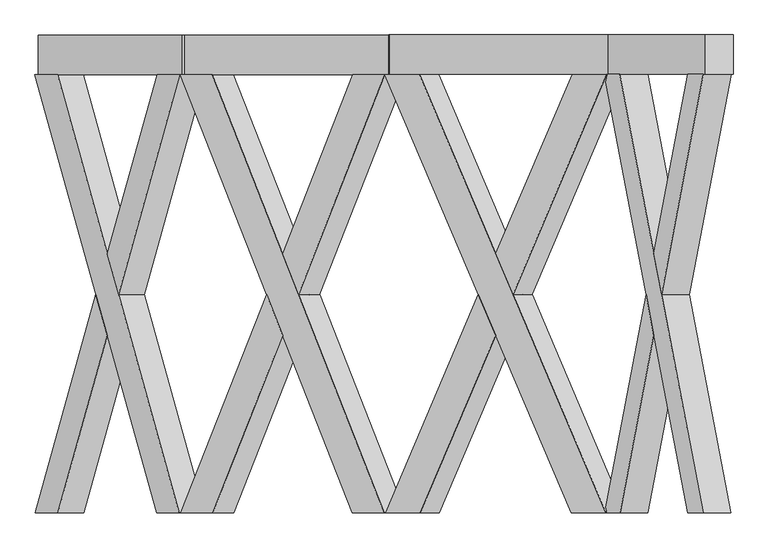
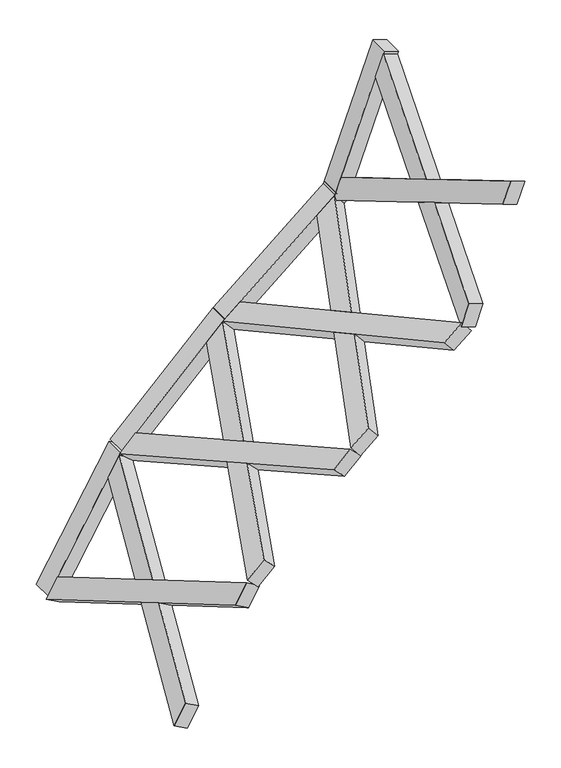
"""IFC4 building model written with IfcOpenShell, lengths in millimetres: proxy geometry."""

import ifcopenshell
import ifcopenshell.guid

model = None  # the IFC model being written
_history = None  # IfcOwnerHistory: only IFC2X3 demands one
_inside = {}  # id of a spatial element -> (the spatial element, [elements in it])
_under = {}  # id of a project, library or spatial element -> (it, [spatial elements below it])
_declared = {}  # id of a project -> (the project, [libraries it declares])
_typed = {}  # id of a type object -> (the type object, [elements of that type])
_made_of = {}  # id of a material, layer set ... -> (it, [elements and type objects made of it])


def new_model(schema):
    """Start an empty IFC model of exactly this schema.

    Asked for "IFC4X3", IfcOpenShell would pick the latest addendum, in which some entities
    have other attributes; the version numbers below select the first issue.
    IFC2X3 requires an IfcOwnerHistory on every rooted entity: one is made here for all.
    """
    global model, _history
    if schema == "IFC4X3":
        model = ifcopenshell.file(schema_version=(4, 3, 0, 0))
    else:
        model = ifcopenshell.file(schema=schema)
    _inside.clear()
    _under.clear()
    _declared.clear()
    _typed.clear()
    _made_of.clear()
    _history = None
    if model.schema == "IFC2X3":
        org = make("IfcOrganization", Name="unknown")
        user = make(
            "IfcPersonAndOrganization",
            ThePerson=make("IfcPerson", FamilyName="unknown"),
            TheOrganization=org,
        )
        app = make(
            "IfcApplication",
            ApplicationDeveloper=org,
            Version="unknown",
            ApplicationFullName="unknown",
            ApplicationIdentifier="unknown",
        )
        _history = make(
            "IfcOwnerHistory",
            OwningUser=user,
            OwningApplication=app,
            ChangeAction="ADDED",
            CreationDate=0,
        )
    return model


def make(cls, **values):
    """One entity of the class cls with the attributes given. An attribute that is None is left unset."""
    return model.create_entity(
        cls, **{name: value for name, value in values.items() if value is not None}
    )


def rooted(cls, **values):
    """An entity with a GlobalId (a new one), such as an element, a storey or a relation."""
    return make(cls, GlobalId=ifcopenshell.guid.new(), OwnerHistory=_history, **values)


def si_unit(unit_type, name, prefix=None):
    """IfcSIUnit, for example si_unit("LENGTHUNIT", "METRE", prefix="MILLI")."""
    return make("IfcSIUnit", UnitType=unit_type, Prefix=prefix, Name=name)


def assignment(units):
    """IfcUnitAssignment: the units of a project."""
    return None if units is None else make("IfcUnitAssignment", Units=units)


def point(xyz):
    """IfcCartesianPoint."""
    return None if xyz is None else make("IfcCartesianPoint", Coordinates=xyz)


def direction(xyz):
    """IfcDirection."""
    return None if xyz is None else make("IfcDirection", DirectionRatios=xyz)


def frame(location, z_axis=None, x_axis=None):
    """IfcAxis2Placement3D, a coordinate frame: its origin and axes. An axis left out is left unset."""
    return make(
        "IfcAxis2Placement3D",
        Location=point(location),
        Axis=direction(z_axis),
        RefDirection=direction(x_axis),
    )


def origin():
    """The frame at (0, 0, 0) with its axes left unset."""
    return frame((0.0, 0.0, 0.0))


def place(relative_to, where):
    """IfcLocalPlacement: puts the frame where relative to a parent placement (None: the world)."""
    return make(
        "IfcLocalPlacement", PlacementRelTo=relative_to, RelativePlacement=where
    )


def context(
    kind, dimensions, precision=None, world=None, true_north=None, identifier=None
):
    """IfcGeometricRepresentationContext, for example the 3D "Model" context."""
    return make(
        "IfcGeometricRepresentationContext",
        ContextIdentifier=identifier,
        ContextType=kind,
        CoordinateSpaceDimension=dimensions,
        Precision=precision,
        WorldCoordinateSystem=world,
        TrueNorth=true_north,
    )


def project(units=None, contexts=None):
    """IfcProject with its units and contexts."""
    return rooted(
        "IfcProject",
        Name="project",
        RepresentationContexts=contexts,
        UnitsInContext=assignment(units),
    )


def spatial(cls, under=None, at=None, **own):
    """A site, building, storey or space (cls), placed at a placement, below another one or the project."""
    s = rooted(cls, ObjectPlacement=at, **own)
    if under is not None:
        _under.setdefault(under.id(), (under, []))[1].append(s)
    return s


def polyline(points):
    """IfcPolyline through the points."""
    return make("IfcPolyline", Points=[point(p) for p in points])


def outline(outer, holes=None, kind="AREA"):
    """IfcArbitraryClosedProfileDef: a profile drawn as a closed curve; with holes, ...WithVoids."""
    if holes is None:
        return make("IfcArbitraryClosedProfileDef", ProfileType=kind, OuterCurve=outer)
    return make(
        "IfcArbitraryProfileDefWithVoids",
        ProfileType=kind,
        OuterCurve=outer,
        InnerCurves=holes,
    )


def extrude(swept, where, along, depth):
    """IfcExtrudedAreaSolid: the profile swept, set in the frame where, extruded along a direction by depth."""
    return make(
        "IfcExtrudedAreaSolid",
        SweptArea=swept,
        Position=where,
        ExtrudedDirection=direction(along),
        Depth=depth,
    )


def faces_of(points, faces, orient=None, outer=None):
    """IfcFace entities. A face is a list of loops; a loop is a list of indices into points, from 0.

    orient and outer hold one flag for each loop. By default every Orientation is true, the
    first loop of a face is its IfcFaceOuterBound and the others are IfcFaceBound.
    """
    made = []
    for i, loops in enumerate(faces):
        bounds = []
        for j, loop in enumerate(loops):
            is_outer = j == 0 if outer is None else outer[i][j]
            bounds.append(
                make(
                    "IfcFaceOuterBound" if is_outer else "IfcFaceBound",
                    Bound=make("IfcPolyLoop", Polygon=[points[k] for k in loop]),
                    Orientation=True if orient is None else orient[i][j],
                )
            )
        made.append(make("IfcFace", Bounds=bounds))
    return made


def faceted_brep(points, faces, orient=None, outer=None, voids=None):
    """IfcFacetedBrep: a solid bounded by flat faces; with voids (closed shells), ...WithVoids."""
    shared = [point(p) for p in points]
    hull = make("IfcClosedShell", CfsFaces=faces_of(shared, faces, orient, outer))
    if voids is None:
        return make("IfcFacetedBrep", Outer=hull)
    return make(
        "IfcFacetedBrepWithVoids",
        Outer=hull,
        Voids=[
            make(cls, CfsFaces=faces_of(shared, fs, o, b)) for cls, fs, o, b in voids
        ],
    )


def shape(context_of_items, identifier, shape_type, items):
    """IfcShapeRepresentation: the items that make up one representation, for example the "Body"."""
    return make(
        "IfcShapeRepresentation",
        ContextOfItems=context_of_items,
        RepresentationIdentifier=identifier,
        RepresentationType=shape_type,
        Items=items,
    )


def source(mapping_origin, context_of_items, identifier, shape_type, items):
    """IfcRepresentationMap: a shape defined once, which mapped items show again and again."""
    return make(
        "IfcRepresentationMap",
        MappingOrigin=mapping_origin,
        MappedRepresentation=shape(context_of_items, identifier, shape_type, items),
    )


def transform(
    local_origin,
    x_axis=None,
    y_axis=None,
    z_axis=None,
    scale=None,
    scale2=None,
    scale3=None,
    uniform=True,
):
    """IfcCartesianTransformationOperator3D, or its non-uniform kind. x_axis, y_axis, z_axis: its Axis1, 2, 3."""
    if uniform:
        return make(
            "IfcCartesianTransformationOperator3D",
            Axis1=direction(x_axis),
            Axis2=direction(y_axis),
            LocalOrigin=point(local_origin),
            Scale=scale,
            Axis3=direction(z_axis),
        )
    return make(
        "IfcCartesianTransformationOperator3DnonUniform",
        Axis1=direction(x_axis),
        Axis2=direction(y_axis),
        LocalOrigin=point(local_origin),
        Scale=scale,
        Axis3=direction(z_axis),
        Scale2=scale2,
        Scale3=scale3,
    )


def mapped(mapping_source, mapping_target):
    """IfcMappedItem: shows the shape of a source again, moved by a transform."""
    return make(
        "IfcMappedItem", MappingSource=mapping_source, MappingTarget=mapping_target
    )


def made_of(thing, what):
    """Note that an element or type object is made of a material, layer set ...; save() writes the relation."""
    if what is not None:
        _made_of.setdefault(what.id(), (what, []))[1].append(thing)
    return thing


def element(
    cls,
    number,
    at=None,
    inside=None,
    cuts=None,
    type_object=None,
    material=None,
    context=None,
    identifier="Body",
    shape_type=None,
    held_by="IfcProductDefinitionShape",
    body=None,
    shapes=None,
    **own,
):
    """One element of the class cls, such as IfcWall. Its Tag is "e" and its number.

    at: its placement. inside: the storey or other place that contains it. cuts: it is an
    opening in that element (IfcRelVoidsElement). A single representation is given by context,
    identifier, shape_type and body (its items); several are given by shapes. held_by: the class
    of the entity that holds the representations. save() writes the other relations.
    """
    e = rooted(cls, Tag="e%d" % number, ObjectPlacement=at, **own)
    if body is not None:
        shapes = [shape(context, identifier, shape_type, body)]
    if shapes is not None:
        e.Representation = make(held_by, Representations=shapes)
    if inside is not None:
        _inside.setdefault(inside.id(), (inside, []))[1].append(e)
    if cuts is not None:
        rooted(
            "IfcRelVoidsElement", RelatingBuildingElement=cuts, RelatedOpeningElement=e
        )
    if type_object is not None:
        _typed.setdefault(type_object.id(), (type_object, []))[1].append(e)
    return made_of(e, material)


def aggregate(whole, parts):
    """IfcRelAggregates: a whole, such as a stair, and the parts it consists of."""
    return rooted("IfcRelAggregates", RelatingObject=whole, RelatedObjects=parts)


def save(model, path):
    """Write the relations noted so far, then the file.

    IfcRelAggregates (storeys below a building ...), IfcRelContainedInSpatialStructure (elements
    in a storey), IfcRelDefinesByType, IfcRelAssociatesMaterial and IfcRelDeclares: one each for
    every whole, place, type object, material and project.
    """
    for whole, parts in _under.values():
        aggregate(whole, parts)
    for where, things in _inside.values():
        rooted(
            "IfcRelContainedInSpatialStructure",
            RelatedElements=things,
            RelatingStructure=where,
        )
    for kind, things in _typed.values():
        rooted("IfcRelDefinesByType", RelatedObjects=things, RelatingType=kind)
    for what, things in _made_of.values():
        rooted("IfcRelAssociatesMaterial", RelatedObjects=things, RelatingMaterial=what)
    for by, libraries in _declared.values():
        rooted("IfcRelDeclares", RelatingContext=by, RelatedDefinitions=libraries)
    model.write(path)


def generic_models_0bd2ca4e(model_context):
    return source(origin(), model_context, "Body", "SolidModel", [
        faceted_brep([(3441.0169194, -100.0, 4555.1387426), (3020.1984788, -2319.6837757, 3398.9495794), (2941.9884544, -2319.6837757, 3184.0693033), (3362.806895, -100.0, 4340.2584665), (2801.0345613, -2319.6837757, 3235.3723248), (2879.2445857, -2319.6837757, 3450.2526009), (3049.7379413, -1420.3854116, 3918.6792455), (3010.632929, -1214.1188776, 3811.2391074), (3300.0630263, -100.0, 4606.4417641), (3221.8530018, -100.0, 4391.561488), (3049.7379413, -1007.8523437, 3918.6792455), (3088.8429535, -1214.1188776, 4026.1193836), (3081.1098756, -1214.1188776, 3785.5875967), (3120.2148878, -1007.8523437, 3893.0277348), (3159.3199, -1214.1188776, 4000.4678728), (3120.2148878, -1420.3854116, 3893.0277348)], [[[0, 1, 2, 3]], [[4, 5, 6, 7]], [[8, 9, 10, 11]], [[0, 3, 9, 8]], [[3, 2, 4, 7, 12, 13, 10, 9]], [[2, 1, 5, 4]], [[1, 0, 8, 11, 14, 15, 6, 5]], [[12, 15, 14, 13]], [[13, 14, 11, 10]], [[15, 12, 7, 6]]]),
        faceted_brep([(2940.3667494, -100.0, 3179.6137054), (3018.5767738, -100.0, 3394.4939815), (3190.6918344, -1007.8523437, 3867.376224), (3151.5868222, -1214.1188776, 3759.9360859), (3439.3952144, -2319.6837757, 4550.6831447), (3361.1851899, -2319.6837757, 4335.8028686), (3190.6918344, -1420.3854116, 3867.376224), (3229.7968466, -1214.1188776, 3974.8163621), (2799.4128562, -100.0, 3230.9167269), (3220.2312968, -2319.6837757, 4387.1058901), (3298.4413213, -2319.6837757, 4601.9861662), (2877.6228807, -100.0, 3445.797003), (3159.3199, -1214.1188776, 4000.4678728), (3120.2148878, -1007.8523437, 3893.0277348), (3081.1098756, -1214.1188776, 3785.5875967), (3120.2148878, -1420.3854116, 3893.0277348)], [[[0, 1, 2, 3]], [[4, 5, 6, 7]], [[8, 9, 10, 11]], [[1, 0, 8, 11]], [[11, 10, 4, 7, 12, 13, 2, 1]], [[5, 4, 10, 9]], [[9, 8, 0, 3, 14, 15, 6, 5]], [[12, 15, 14, 13]], [[13, 14, 3, 2]], [[15, 12, 7, 6]]]),
        extrude(outline(polyline([(-148.3871943, 0.0), (-148.3871943, -149.9999999), (-348.3871943, -149.9999999), (-348.3871943, 0.0), (-148.3871943, 0.0)])), frame((2951.277734, -248.3871943, 3209.5913895), z_axis=(0.3420201433256726, 0.0, 0.9396926207859071), x_axis=(0.0, -1.0, 0.0)), (0.0, 0.0, 1.0), 1460.0),
        faceted_brep([(2907.4852236, -100.0, 3159.728254), (1964.9511821, -2319.6837757, 2368.8482874), (1789.779176, -2319.6837757, 2221.8615217), (2732.3132175, -100.0, 3012.7414883), (1693.3610346, -2319.6837757, 2336.7681882), (1868.5330406, -2319.6837757, 2483.7549538), (2250.39794, -1420.3854116, 2804.1776501), (2162.811937, -1214.1188776, 2730.6842672), (2811.0670821, -100.0, 3274.6349205), (2635.8950761, -100.0, 3127.6481548), (2250.39794, -1007.8523437, 2804.1776501), (2337.983943, -1214.1188776, 2877.6710329), (2211.0210077, -1214.1188776, 2673.230934), (2298.6070107, -1007.8523437, 2746.7243168), (2386.1930137, -1214.1188776, 2820.2176997), (2298.6070107, -1420.3854116, 2746.7243168)], [[[0, 1, 2, 3]], [[4, 5, 6, 7]], [[8, 9, 10, 11]], [[0, 3, 9, 8]], [[3, 2, 4, 7, 12, 13, 10, 9]], [[2, 1, 5, 4]], [[1, 0, 8, 11, 14, 15, 6, 5]], [[12, 15, 14, 13]], [[13, 14, 11, 10]], [[15, 12, 7, 6]]]),
        faceted_brep([(1786.1469393, -100.0, 2218.8137132), (1961.3189453, -100.0, 2365.8004789), (2346.8160814, -1007.8523437, 2689.2709836), (2259.2300784, -1214.1188776, 2615.7776008), (2903.8529869, -2319.6837757, 3156.6804455), (2728.6809808, -2319.6837757, 3009.6936798), (2346.8160814, -1420.3854116, 2689.2709836), (2434.4020845, -1214.1188776, 2762.7643664), (1689.7287978, -100.0, 2333.7203797), (2632.2628394, -2319.6837757, 3124.6003463), (2807.4348454, -2319.6837757, 3271.587112), (1864.9008039, -100.0, 2480.7071454), (2386.1930137, -1214.1188776, 2820.2176997), (2298.6070107, -1007.8523437, 2746.7243168), (2211.0210077, -1214.1188776, 2673.230934), (2298.6070107, -1420.3854116, 2746.7243168)], [[[0, 1, 2, 3]], [[4, 5, 6, 7]], [[8, 9, 10, 11]], [[1, 0, 8, 11]], [[11, 10, 4, 7, 12, 13, 2, 1]], [[5, 4, 10, 9]], [[9, 8, 0, 3, 14, 15, 6, 5]], [[12, 15, 14, 13]], [[13, 14, 3, 2]], [[15, 12, 7, 6]]]),
        extrude(outline(polyline([(0.0, -200.0), (0.0, 0.0), (1460.0, 0.0), (1460.0, -200.0), (0.0, -200.0)])), frame((2929.0098582, -100.0, 3177.789567), z_axis=(-0.6427876096865367, 0.0, 0.7660444431189802), x_axis=(-0.7660444431189802, 0.0, -0.6427876096865367)), (0.0, 0.0, 1.0), 150.0),
        faceted_brep([(1795.5403294, -100.0, 2223.8714017), (925.5226453, -2319.6837757, 1353.8537177), (763.8279624, -2319.6837757, 1192.1590348), (1633.8456464, -100.0, 2062.1767188), (657.7619452, -2319.6837757, 1298.2250519), (819.4566282, -2319.6837757, 1459.9197349), (1171.9417382, -1420.3854116, 1812.4048449), (1091.0943968, -1214.1188776, 1731.5575035), (1689.4743122, -100.0, 2329.9374189), (1527.7796293, -100.0, 2168.242736), (1171.9417382, -1007.8523437, 1812.4048449), (1252.7890797, -1214.1188776, 1893.2521864), (1144.1274054, -1214.1188776, 1678.5244949), (1224.9747468, -1007.8523437, 1759.3718364), (1305.8220883, -1214.1188776, 1840.2191778), (1224.9747468, -1420.3854116, 1759.3718364)], [[[0, 1, 2, 3]], [[4, 5, 6, 7]], [[8, 9, 10, 11]], [[0, 3, 9, 8]], [[3, 2, 4, 7, 12, 13, 10, 9]], [[2, 1, 5, 4]], [[1, 0, 8, 11, 14, 15, 6, 5]], [[12, 15, 14, 13]], [[13, 14, 11, 10]], [[15, 12, 7, 6]]]),
        faceted_brep([(760.4751815, -100.0, 1188.8062538), (922.1698644, -100.0, 1350.5009368), (1278.0077554, -1007.8523437, 1706.3388278), (1197.160414, -1214.1188776, 1625.4914863), (1792.1875484, -2319.6837757, 2220.5186208), (1630.4928655, -2319.6837757, 2058.8239378), (1278.0077554, -1420.3854116, 1706.3388278), (1358.8550969, -1214.1188776, 1787.1861692), (654.4091643, -100.0, 1294.872271), (1524.4268483, -2319.6837757, 2164.889955), (1686.1215313, -2319.6837757, 2326.584638), (816.1038472, -100.0, 1456.5669539), (1305.8220883, -1214.1188776, 1840.2191778), (1224.9747468, -1007.8523437, 1759.3718364), (1144.1274054, -1214.1188776, 1678.5244949), (1224.9747468, -1420.3854116, 1759.3718364)], [[[0, 1, 2, 3]], [[4, 5, 6, 7]], [[8, 9, 10, 11]], [[1, 0, 8, 11]], [[11, 10, 4, 7, 12, 13, 2, 1]], [[5, 4, 10, 9]], [[9, 8, 0, 3, 14, 15, 6, 5]], [[12, 15, 14, 13]], [[13, 14, 3, 2]], [[15, 12, 7, 6]]]),
        extrude(outline(polyline([(-148.3871943, 0.0), (-148.3871943, -150.0), (-348.3871943, -150.0), (-348.3871943, 0.0), (-148.3871943, 0.0)])), frame((783.0330086, -248.3871943, 1211.3640809), z_axis=(0.7071067811865478, 0.0, 0.7071067811865472), x_axis=(0.0, -1.0, 0.0)), (0.0, 0.0, 1.0), 1460.0),
        faceted_brep([(780.9026978, -100.0, 1202.5631484), (165.7072937, -2319.6837757, 137.0134518), (51.3718869, -2319.6837757, -61.0212818), (666.567291, -100.0, 1004.5284147), (-78.5319237, -2319.6837757, 13.9787182), (35.8034831, -2319.6837757, 212.0134518), (285.0480947, -1420.3854116, 643.7177826), (227.8803913, -1214.1188776, 544.7004158), (650.9988872, -100.0, 1277.5631484), (536.6634805, -100.0, 1079.5284147), (285.0480947, -1007.8523437, 643.7177826), (342.2157981, -1214.1188776, 742.7351495), (292.8322966, -1214.1188776, 507.2004158), (350.0, -1007.8523437, 606.2177826), (407.1677034, -1214.1188776, 705.2351495), (350.0, -1420.3854116, 606.2177826)], [[[0, 1, 2, 3]], [[4, 5, 6, 7]], [[8, 9, 10, 11]], [[0, 3, 9, 8]], [[3, 2, 4, 7, 12, 13, 10, 9]], [[2, 1, 5, 4]], [[1, 0, 8, 11, 14, 15, 6, 5]], [[12, 15, 14, 13]], [[13, 14, 11, 10]], [[15, 12, 7, 6]]]),
        faceted_brep([(49.0011128, -100.0, -65.1275831), (163.3365195, -100.0, 132.9071506), (414.9519053, -1007.8523437, 568.7177826), (357.7842019, -1214.1188776, 469.7004158), (778.5319237, -2319.6837757, 1198.4568471), (664.1965169, -2319.6837757, 1000.4221135), (414.9519053, -1420.3854116, 568.7177826), (472.1196087, -1214.1188776, 667.7351495), (-80.9026978, -100.0, 9.8724169), (534.2927063, -2319.6837757, 1075.4221135), (648.6281131, -2319.6837757, 1273.4568471), (33.432709, -100.0, 207.9071506), (407.1677034, -1214.1188776, 705.2351495), (350.0, -1007.8523437, 606.2177826), (292.8322966, -1214.1188776, 507.2004158), (350.0, -1420.3854116, 606.2177826)], [[[0, 1, 2, 3]], [[4, 5, 6, 7]], [[8, 9, 10, 11]], [[1, 0, 8, 11]], [[11, 10, 4, 7, 12, 13, 2, 1]], [[5, 4, 10, 9]], [[9, 8, 0, 3, 14, 15, 6, 5]], [[12, 15, 14, 13]], [[13, 14, 3, 2]], [[15, 12, 7, 6]]]),
        extrude(outline(polyline([(-148.3871943, 0.0), (-148.3871943, -150.0), (-348.3871943, -150.0), (-348.3871943, 0.0), (-148.3871943, 0.0)])), frame((64.9519053, -248.3871943, -37.5), z_axis=(0.5000000000000009, 0.0, 0.8660254037844383), x_axis=(0.0, -1.0, 0.0)), (0.0, 0.0, 1.0), 1460.0),
    ])


if __name__ == "__main__":
    model = new_model("IFC4")
    model_context = context("Model", 3, world=origin())
    ifc_project = project(units=[si_unit("LENGTHUNIT", "METRE", prefix="MILLI")], contexts=[model_context])
    site = spatial("IfcSite", under=ifc_project)
    building = spatial("IfcBuilding", under=site)
    placement = place(None, origin())
    generic_models_shape = generic_models_0bd2ca4e(model_context)
    element("IfcBuildingElementProxy", 1, Name="Generic Models", at=placement, inside=building, context=model_context, shape_type="MappedRepresentation", body=[
        mapped(generic_models_shape, transform((0.0, 0.0, 0.0), x_axis=(1.0, 0.0, 0.0), y_axis=(0.0, 1.0, 0.0), z_axis=(0.0, 0.0, 1.0))),
    ])
    save(model, "model.ifc")
